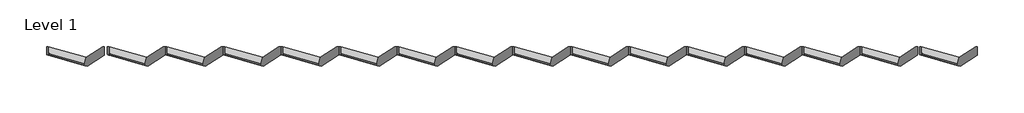
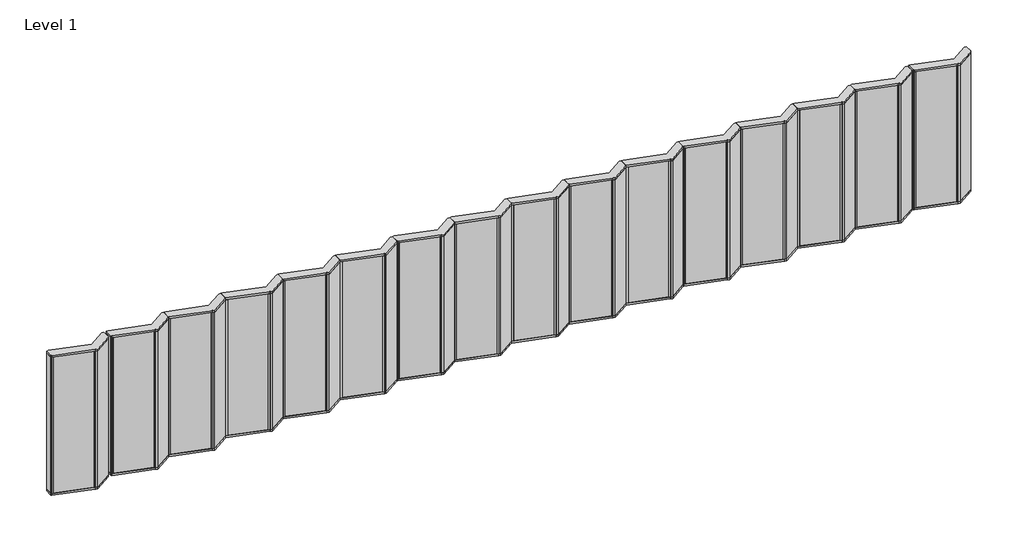
# One storey: 16 plates.
"""IFC4 building model written with IfcOpenShell, lengths in millimetres."""

import ifcopenshell
import ifcopenshell.guid

model = None  # the IFC model being written
_history = None  # IfcOwnerHistory: only IFC2X3 demands one
_inside = {}  # id of a spatial element -> (the spatial element, [elements in it])
_under = {}  # id of a project, library or spatial element -> (it, [spatial elements below it])
_declared = {}  # id of a project -> (the project, [libraries it declares])
_typed = {}  # id of a type object -> (the type object, [elements of that type])
_made_of = {}  # id of a material, layer set ... -> (it, [elements and type objects made of it])


def new_model(schema):
    """Start an empty IFC model of exactly this schema.

    Asked for "IFC4X3", IfcOpenShell would pick the latest addendum, in which some entities
    have other attributes; the version numbers below select the first issue.
    IFC2X3 requires an IfcOwnerHistory on every rooted entity: one is made here for all.
    """
    global model, _history
    if schema == "IFC4X3":
        model = ifcopenshell.file(schema_version=(4, 3, 0, 0))
    else:
        model = ifcopenshell.file(schema=schema)
    _inside.clear()
    _under.clear()
    _declared.clear()
    _typed.clear()
    _made_of.clear()
    _history = None
    if model.schema == "IFC2X3":
        org = make("IfcOrganization", Name="unknown")
        user = make(
            "IfcPersonAndOrganization",
            ThePerson=make("IfcPerson", FamilyName="unknown"),
            TheOrganization=org,
        )
        app = make(
            "IfcApplication",
            ApplicationDeveloper=org,
            Version="unknown",
            ApplicationFullName="unknown",
            ApplicationIdentifier="unknown",
        )
        _history = make(
            "IfcOwnerHistory",
            OwningUser=user,
            OwningApplication=app,
            ChangeAction="ADDED",
            CreationDate=0,
        )
    return model


def make(cls, **values):
    """One entity of the class cls with the attributes given. An attribute that is None is left unset."""
    return model.create_entity(
        cls, **{name: value for name, value in values.items() if value is not None}
    )


def rooted(cls, **values):
    """An entity with a GlobalId (a new one), such as an element, a storey or a relation."""
    return make(cls, GlobalId=ifcopenshell.guid.new(), OwnerHistory=_history, **values)


def si_unit(unit_type, name, prefix=None):
    """IfcSIUnit, for example si_unit("LENGTHUNIT", "METRE", prefix="MILLI")."""
    return make("IfcSIUnit", UnitType=unit_type, Prefix=prefix, Name=name)


def assignment(units):
    """IfcUnitAssignment: the units of a project."""
    return None if units is None else make("IfcUnitAssignment", Units=units)


def point(xyz):
    """IfcCartesianPoint."""
    return None if xyz is None else make("IfcCartesianPoint", Coordinates=xyz)


def direction(xyz):
    """IfcDirection."""
    return None if xyz is None else make("IfcDirection", DirectionRatios=xyz)


def frame(location, z_axis=None, x_axis=None):
    """IfcAxis2Placement3D, a coordinate frame: its origin and axes. An axis left out is left unset."""
    return make(
        "IfcAxis2Placement3D",
        Location=point(location),
        Axis=direction(z_axis),
        RefDirection=direction(x_axis),
    )


def origin():
    """The frame at (0, 0, 0) with its axes left unset."""
    return frame((0.0, 0.0, 0.0))


def origin_with_axes():
    """The frame at (0, 0, 0) with the z axis (0, 0, 1) and the x axis (1, 0, 0) written out."""
    return frame((0.0, 0.0, 0.0), z_axis=(0.0, 0.0, 1.0), x_axis=(1.0, 0.0, 0.0))


def place(relative_to, where):
    """IfcLocalPlacement: puts the frame where relative to a parent placement (None: the world)."""
    return make(
        "IfcLocalPlacement", PlacementRelTo=relative_to, RelativePlacement=where
    )


def context(
    kind, dimensions, precision=None, world=None, true_north=None, identifier=None
):
    """IfcGeometricRepresentationContext, for example the 3D "Model" context."""
    return make(
        "IfcGeometricRepresentationContext",
        ContextIdentifier=identifier,
        ContextType=kind,
        CoordinateSpaceDimension=dimensions,
        Precision=precision,
        WorldCoordinateSystem=world,
        TrueNorth=true_north,
    )


def project(units=None, contexts=None):
    """IfcProject with its units and contexts."""
    return rooted(
        "IfcProject",
        Name="project",
        RepresentationContexts=contexts,
        UnitsInContext=assignment(units),
    )


def spatial(cls, under=None, at=None, **own):
    """A site, building, storey or space (cls), placed at a placement, below another one or the project."""
    s = rooted(cls, ObjectPlacement=at, **own)
    if under is not None:
        _under.setdefault(under.id(), (under, []))[1].append(s)
    return s


def polyline(points):
    """IfcPolyline through the points."""
    return make("IfcPolyline", Points=[point(p) for p in points])


def outline(outer, holes=None, kind="AREA"):
    """IfcArbitraryClosedProfileDef: a profile drawn as a closed curve; with holes, ...WithVoids."""
    if holes is None:
        return make("IfcArbitraryClosedProfileDef", ProfileType=kind, OuterCurve=outer)
    return make(
        "IfcArbitraryProfileDefWithVoids",
        ProfileType=kind,
        OuterCurve=outer,
        InnerCurves=holes,
    )


def extrude(swept, where, along, depth):
    """IfcExtrudedAreaSolid: the profile swept, set in the frame where, extruded along a direction by depth."""
    return make(
        "IfcExtrudedAreaSolid",
        SweptArea=swept,
        Position=where,
        ExtrudedDirection=direction(along),
        Depth=depth,
    )


def shape(context_of_items, identifier, shape_type, items):
    """IfcShapeRepresentation: the items that make up one representation, for example the "Body"."""
    return make(
        "IfcShapeRepresentation",
        ContextOfItems=context_of_items,
        RepresentationIdentifier=identifier,
        RepresentationType=shape_type,
        Items=items,
    )


def source(mapping_origin, context_of_items, identifier, shape_type, items):
    """IfcRepresentationMap: a shape defined once, which mapped items show again and again."""
    return make(
        "IfcRepresentationMap",
        MappingOrigin=mapping_origin,
        MappedRepresentation=shape(context_of_items, identifier, shape_type, items),
    )


def transform(
    local_origin,
    x_axis=None,
    y_axis=None,
    z_axis=None,
    scale=None,
    scale2=None,
    scale3=None,
    uniform=True,
):
    """IfcCartesianTransformationOperator3D, or its non-uniform kind. x_axis, y_axis, z_axis: its Axis1, 2, 3."""
    if uniform:
        return make(
            "IfcCartesianTransformationOperator3D",
            Axis1=direction(x_axis),
            Axis2=direction(y_axis),
            LocalOrigin=point(local_origin),
            Scale=scale,
            Axis3=direction(z_axis),
        )
    return make(
        "IfcCartesianTransformationOperator3DnonUniform",
        Axis1=direction(x_axis),
        Axis2=direction(y_axis),
        LocalOrigin=point(local_origin),
        Scale=scale,
        Axis3=direction(z_axis),
        Scale2=scale2,
        Scale3=scale3,
    )


def mapped(mapping_source, mapping_target):
    """IfcMappedItem: shows the shape of a source again, moved by a transform."""
    return make(
        "IfcMappedItem", MappingSource=mapping_source, MappingTarget=mapping_target
    )


def made_of(thing, what):
    """Note that an element or type object is made of a material, layer set ...; save() writes the relation."""
    if what is not None:
        _made_of.setdefault(what.id(), (what, []))[1].append(thing)
    return thing


def element(
    cls,
    number,
    at=None,
    inside=None,
    cuts=None,
    type_object=None,
    material=None,
    context=None,
    identifier="Body",
    shape_type=None,
    held_by="IfcProductDefinitionShape",
    body=None,
    shapes=None,
    **own,
):
    """One element of the class cls, such as IfcWall. Its Tag is "e" and its number.

    at: its placement. inside: the storey or other place that contains it. cuts: it is an
    opening in that element (IfcRelVoidsElement). A single representation is given by context,
    identifier, shape_type and body (its items); several are given by shapes. held_by: the class
    of the entity that holds the representations. save() writes the other relations.
    """
    e = rooted(cls, Tag="e%d" % number, ObjectPlacement=at, **own)
    if body is not None:
        shapes = [shape(context, identifier, shape_type, body)]
    if shapes is not None:
        e.Representation = make(held_by, Representations=shapes)
    if inside is not None:
        _inside.setdefault(inside.id(), (inside, []))[1].append(e)
    if cuts is not None:
        rooted(
            "IfcRelVoidsElement", RelatingBuildingElement=cuts, RelatedOpeningElement=e
        )
    if type_object is not None:
        _typed.setdefault(type_object.id(), (type_object, []))[1].append(e)
    return made_of(e, material)


def aggregate(whole, parts):
    """IfcRelAggregates: a whole, such as a stair, and the parts it consists of."""
    return rooted("IfcRelAggregates", RelatingObject=whole, RelatedObjects=parts)


def save(model, path):
    """Write the relations noted so far, then the file.

    IfcRelAggregates (storeys below a building ...), IfcRelContainedInSpatialStructure (elements
    in a storey), IfcRelDefinesByType, IfcRelAssociatesMaterial and IfcRelDeclares: one each for
    every whole, place, type object, material and project.
    """
    for whole, parts in _under.values():
        aggregate(whole, parts)
    for where, things in _inside.values():
        rooted(
            "IfcRelContainedInSpatialStructure",
            RelatedElements=things,
            RelatingStructure=where,
        )
    for kind, things in _typed.values():
        rooted("IfcRelDefinesByType", RelatedObjects=things, RelatingType=kind)
    for what, things in _made_of.values():
        rooted("IfcRelAssociatesMaterial", RelatedObjects=things, RelatingMaterial=what)
    for by, libraries in _declared.values():
        rooted("IfcRelDeclares", RelatingContext=by, RelatedDefinitions=libraries)
    model.write(path)


def standard_noncut_panel_regular_16_tower_59b6ea0f(model_context):
    return source(origin(), model_context, "Body", "SweptSolid", [
        extrude(outline(polyline([(-232.5037047, 434.8811047), (700.0, 167.4899702), (700.0, -0.1259106), (-276.9151468, 280.0), (-232.5037047, 434.8811047)])), frame((0.0, 0.0, 2875.0), z_axis=(0.0, 0.0, 1.0), x_axis=(1.0, 0.0, 0.0)), (0.0, 0.0, 1.0), 950.0),
        extrude(outline(polyline([(688.6823534, 181.1382475), (685.9259799, 171.5256305), (-232.5037047, 434.8811047), (-229.7473311, 444.4937217), (688.6823534, 181.1382475)])), frame((0.0, 0.0, 2875.0), z_axis=(0.0, 0.0, 1.0), x_axis=(1.0, 0.0, 0.0)), (0.0, 0.0, 1.0), 950.0),
        extrude(outline(polyline([(-750.0, 200.0), (-740.0, 200.0), (-740.0, 222.195367), (-298.3979318, 514.147162), (-254.9582438, 501.6910319), (-258.5415294, 489.1946299), (-248.9289124, 486.4382563), (-245.3456268, 498.9346584), (740.0, 216.3913465), (740.0, 200.0), (750.0, 200.0), (750.0, 0.0), (699.5608975, 0.0), (-276.6088803, 279.9121795), (-700.0, 0.0), (-750.0, 0.0), (-750.0, 200.0)])), frame((0.0, 0.0, 3825.0), z_axis=(0.0, 0.0, 1.0), x_axis=(1.0, 0.0, 0.0)), (0.0, 0.0, 1.0), 50.0),
        extrude(outline(polyline([(-750.0, 200.0), (-740.0, 200.0), (-740.0, 222.195367), (-298.3979318, 514.147162), (-254.9582438, 501.6910319), (-258.5415294, 489.1946299), (-248.9289124, 486.4382563), (-245.3456268, 498.9346584), (740.0, 216.3913465), (740.0, 200.0), (750.0, 200.0), (750.0, 0.0), (699.5608975, 0.0), (-276.6088803, 279.9121795), (-700.0, 0.0), (-750.0, 0.0), (-750.0, 200.0)])), origin_with_axes(), (0.0, 0.0, 1.0), 50.0),
        extrude(outline(polyline([(-229.7473311, 444.4937217), (-220.0910615, 478.1691357), (698.338623, 214.8136615), (688.6823534, 181.1382475), (-229.7473311, 444.4937217)])), frame((0.0, 0.0, 50.0), z_axis=(0.0, 0.0, 1.0), x_axis=(1.0, 0.0, 0.0)), (0.0, 0.0, 1.0), 3775.0),
        extrude(outline(polyline([(-740.0, 200.0), (-740.0, 222.195367), (-298.3979318, 514.147162), (-254.9582438, 501.6910319), (-258.5415294, 489.1946299), (-248.9289124, 486.4382563), (-245.3456268, 498.9346584), (-216.5077759, 490.6655377), (-277.0178605, 279.6417946), (-700.0, 0.0), (-750.0, 0.0), (-750.0, 200.0), (-740.0, 200.0)])), frame((0.0, 0.0, 50.0), z_axis=(0.0, 0.0, 1.0), x_axis=(1.0, 0.0, 0.0)), (0.0, 0.0, 1.0), 3775.0),
        extrude(outline(polyline([(750.0, 0.0), (700.0, 0.0), (700.0, 167.4899702), (685.9259799, 171.5256305), (701.9219086, 227.3100635), (740.0, 216.3913465), (740.0, 200.0), (750.0, 200.0), (750.0, 0.0)])), frame((0.0, 0.0, 50.0), z_axis=(0.0, 0.0, 1.0), x_axis=(1.0, 0.0, 0.0)), (0.0, 0.0, 1.0), 3775.0),
    ])


model = new_model("IFC4")

# Units and contexts
model_context = context("Model", 3, world=origin())
ifc_project = project(units=[si_unit("LENGTHUNIT", "METRE", prefix="MILLI")], contexts=[model_context])

# Site, building, storey
site = spatial("IfcSite", under=ifc_project)
building = spatial("IfcBuilding", under=site)
storey = spatial("IfcBuildingStorey", under=building, Name="Level 1", Elevation=0.0)

# Plates
placement = place(None, origin())
standard_noncut_panel_regular_16_tower_shape = standard_noncut_panel_regular_16_tower_59b6ea0f(model_context)
element("IfcPlate", 1, ObjectType="Standard_NonCut_Panel : Regular_16_Tower", at=placement, inside=storey, context=model_context, shape_type="MappedRepresentation", body=[
    mapped(standard_noncut_panel_regular_16_tower_shape, transform((22072.7774635, 2008.7003628, 0.0), x_axis=(-1.0, 0.0, 0.0), y_axis=(0.0, -1.0, 0.0), z_axis=(0.0, 0.0, 1.0))),
])
element("IfcPlate", 2, ObjectType="Standard_NonCut_Panel : Regular_16_Tower", at=placement, inside=storey, context=model_context, shape_type="MappedRepresentation", body=[
    mapped(standard_noncut_panel_regular_16_tower_shape, transform((20527.7774635, 2008.7003628, 0.0), x_axis=(-1.0, 0.0, 0.0), y_axis=(0.0, -1.0, 0.0), z_axis=(0.0, 0.0, 1.0))),
])
element("IfcPlate", 3, ObjectType="Standard_NonCut_Panel : Regular_16_Tower", at=placement, inside=storey, context=model_context, shape_type="MappedRepresentation", body=[
    mapped(standard_noncut_panel_regular_16_tower_shape, transform((19027.7774635, 2008.7003628, 0.0), x_axis=(-1.0, 0.0, 0.0), y_axis=(0.0, -1.0, 0.0), z_axis=(0.0, 0.0, 1.0))),
])
element("IfcPlate", 4, ObjectType="Standard_NonCut_Panel : Regular_16_Tower", at=placement, inside=storey, context=model_context, shape_type="MappedRepresentation", body=[
    mapped(standard_noncut_panel_regular_16_tower_shape, transform((17527.7774635, 2008.7003628, 0.0), x_axis=(-1.0, 0.0, 0.0), y_axis=(0.0, -1.0, 0.0), z_axis=(0.0, 0.0, 1.0))),
])
element("IfcPlate", 5, ObjectType="Standard_NonCut_Panel : Regular_16_Tower", at=placement, inside=storey, context=model_context, shape_type="MappedRepresentation", body=[
    mapped(standard_noncut_panel_regular_16_tower_shape, transform((16027.7774635, 2008.7003628, 0.0), x_axis=(-1.0, 0.0, 0.0), y_axis=(0.0, -1.0, 0.0), z_axis=(0.0, 0.0, 1.0))),
])
element("IfcPlate", 6, ObjectType="Standard_NonCut_Panel : Regular_16_Tower", at=placement, inside=storey, context=model_context, shape_type="MappedRepresentation", body=[
    mapped(standard_noncut_panel_regular_16_tower_shape, transform((14527.7774635, 2008.7003628, 0.0), x_axis=(-1.0, 0.0, 0.0), y_axis=(0.0, -1.0, 0.0), z_axis=(0.0, 0.0, 1.0))),
])
element("IfcPlate", 7, ObjectType="Standard_NonCut_Panel : Regular_16_Tower", at=placement, inside=storey, context=model_context, shape_type="MappedRepresentation", body=[
    mapped(standard_noncut_panel_regular_16_tower_shape, transform((13027.7774635, 2008.7003628, 0.0), x_axis=(-1.0, 0.0, 0.0), y_axis=(0.0, -1.0, 0.0), z_axis=(0.0, 0.0, 1.0))),
])
element("IfcPlate", 8, ObjectType="Standard_NonCut_Panel : Regular_16_Tower", at=placement, inside=storey, context=model_context, shape_type="MappedRepresentation", body=[
    mapped(standard_noncut_panel_regular_16_tower_shape, transform((11527.7774635, 2008.7003628, 0.0), x_axis=(-1.0, 0.0, 0.0), y_axis=(0.0, -1.0, 0.0), z_axis=(0.0, 0.0, 1.0))),
])
element("IfcPlate", 9, ObjectType="Standard_NonCut_Panel : Regular_16_Tower", at=placement, inside=storey, context=model_context, shape_type="MappedRepresentation", body=[
    mapped(standard_noncut_panel_regular_16_tower_shape, transform((10027.7774635, 2008.7003628, 0.0), x_axis=(-1.0, 0.0, 0.0), y_axis=(0.0, -1.0, 0.0), z_axis=(0.0, 0.0, 1.0))),
])
element("IfcPlate", 10, ObjectType="Standard_NonCut_Panel : Regular_16_Tower", at=placement, inside=storey, context=model_context, shape_type="MappedRepresentation", body=[
    mapped(standard_noncut_panel_regular_16_tower_shape, transform((8527.7774635, 2008.7003628, 0.0), x_axis=(-1.0, 0.0, 0.0), y_axis=(0.0, -1.0, 0.0), z_axis=(0.0, 0.0, 1.0))),
])
element("IfcPlate", 11, ObjectType="Standard_NonCut_Panel : Regular_16_Tower", at=placement, inside=storey, context=model_context, shape_type="MappedRepresentation", body=[
    mapped(standard_noncut_panel_regular_16_tower_shape, transform((7027.7774635, 2008.7003628, 0.0), x_axis=(-1.0, 0.0, 0.0), y_axis=(0.0, -1.0, 0.0), z_axis=(0.0, 0.0, 1.0))),
])
element("IfcPlate", 12, ObjectType="Standard_NonCut_Panel : Regular_16_Tower", at=placement, inside=storey, context=model_context, shape_type="MappedRepresentation", body=[
    mapped(standard_noncut_panel_regular_16_tower_shape, transform((5527.7774635, 2008.7003628, 0.0), x_axis=(-1.0, 0.0, 0.0), y_axis=(0.0, -1.0, 0.0), z_axis=(0.0, 0.0, 1.0))),
])
element("IfcPlate", 13, ObjectType="Standard_NonCut_Panel : Regular_16_Tower", at=placement, inside=storey, context=model_context, shape_type="MappedRepresentation", body=[
    mapped(standard_noncut_panel_regular_16_tower_shape, transform((4027.7774635, 2008.7003628, 0.0), x_axis=(-1.0, 0.0, 0.0), y_axis=(0.0, -1.0, 0.0), z_axis=(0.0, 0.0, 1.0))),
])
element("IfcPlate", 14, ObjectType="Standard_NonCut_Panel : Regular_16_Tower", at=placement, inside=storey, context=model_context, shape_type="MappedRepresentation", body=[
    mapped(standard_noncut_panel_regular_16_tower_shape, transform((2527.7774635, 2008.7003628, 0.0), x_axis=(-1.0, 0.0, 0.0), y_axis=(0.0, -1.0, 0.0), z_axis=(0.0, 0.0, 1.0))),
])
element("IfcPlate", 15, ObjectType="Standard_NonCut_Panel : Regular_16_Tower", at=placement, inside=storey, context=model_context, shape_type="MappedRepresentation", body=[
    mapped(standard_noncut_panel_regular_16_tower_shape, transform((1027.7774635, 2008.7003628, 0.0), x_axis=(-1.0, 0.0, 0.0), y_axis=(0.0, -1.0, 0.0), z_axis=(0.0, 0.0, 1.0))),
])
element("IfcPlate", 16, ObjectType="Standard_NonCut_Panel : Regular_16_Tower", at=placement, inside=storey, context=model_context, shape_type="MappedRepresentation", body=[
    mapped(standard_noncut_panel_regular_16_tower_shape, transform((-541.3059799, 2008.7003628, 0.0), x_axis=(-1.0, 0.0, 0.0), y_axis=(0.0, -1.0, 0.0), z_axis=(0.0, 0.0, 1.0))),
])

save(model, "model.ifc")
